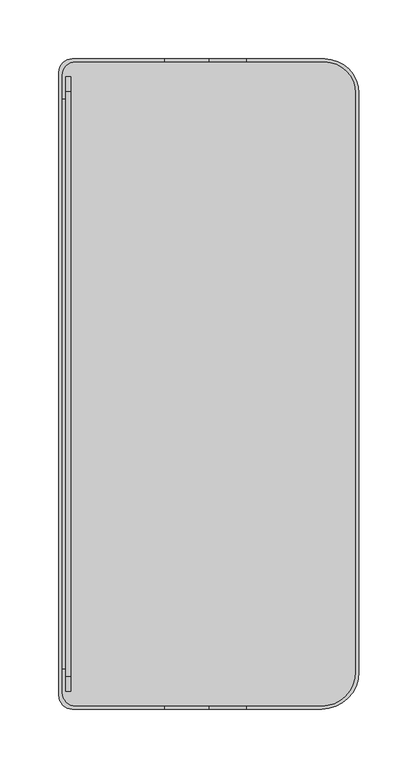
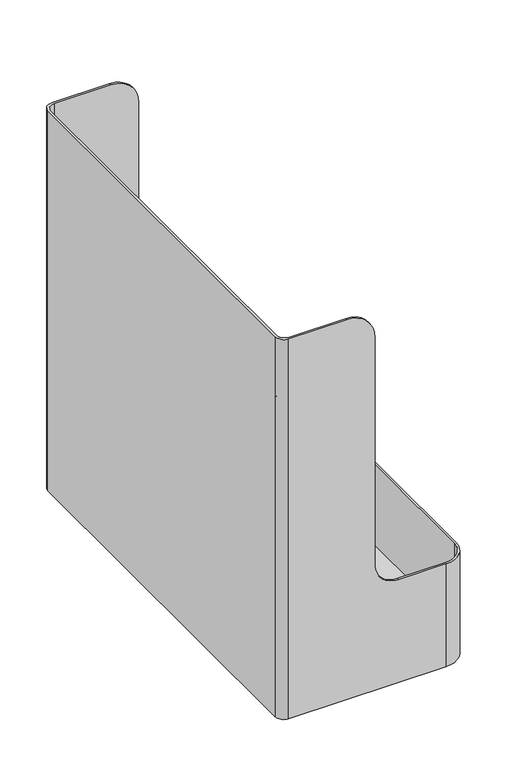
"""IFC4 building model written with IfcOpenShell, lengths in millimetres: furniture geometry."""

from ifc_helpers import new_model, si_unit, point, frame, frame_2d, origin, place, context, project, spatial, polyline, circle_curve, trimmed, segment, composite_curve, outline, extrude, source, transform, mapped, element, save
from ifc_brep_helpers import plane_surface, cylinder_surface, revolved_surface, advanced_brep


def furniture_b01ec330(model_context):
    return source(origin(), model_context, "Body", "SolidModel", [
        extrude(outline(composite_curve([segment(trimmed(circle_curve(frame_2d((-533.2828806, 14.986)), 14.986), [point((-548.2688806, 14.986))], [point((-518.2968806, 14.986))], False, "CARTESIAN"), True, "CONTINUOUS"), segment(trimmed(circle_curve(frame_2d((-533.2828806, 14.986)), 14.986), [point((-518.2968806, 14.986))], [point((-548.2688806, 14.986))], False, "CARTESIAN"), True, "CONTINUOUS")], self_intersect=False)), frame((17.78, 0.0, 0.0), z_axis=(1.0, 0.0, 0.0), x_axis=(0.0, 1.0, 0.0)), (0.0, 0.0, 1.0), 15.24),
        extrude(outline(composite_curve([segment(trimmed(circle_curve(frame_2d((-19.1671194, 14.986)), 14.986), [point((-34.1531194, 14.986))], [point((-4.1811194, 14.986))], False, "CARTESIAN"), True, "CONTINUOUS"), segment(trimmed(circle_curve(frame_2d((-19.1671194, 14.986)), 14.986), [point((-4.1811194, 14.986))], [point((-34.1531194, 14.986))], False, "CARTESIAN"), True, "CONTINUOUS")], self_intersect=False)), frame((17.78, 0.0, 0.0), z_axis=(1.0, 0.0, 0.0), x_axis=(0.0, 1.0, 0.0)), (0.0, 0.0, 1.0), 15.24),
        extrude(outline(composite_curve([segment(trimmed(circle_curve(frame_2d((-533.2828806, 14.986)), 14.986), [point((-548.2688806, 14.986))], [point((-518.2968806, 14.986))], False, "CARTESIAN"), True, "CONTINUOUS"), segment(trimmed(circle_curve(frame_2d((-533.2828806, 14.986)), 14.986), [point((-518.2968806, 14.986))], [point((-548.2688806, 14.986))], False, "CARTESIAN"), True, "CONTINUOUS")], self_intersect=False)), frame((221.9452, 0.0, 0.0), z_axis=(1.0, 0.0, 0.0), x_axis=(0.0, 1.0, 0.0)), (0.0, 0.0, 1.0), 15.24),
        extrude(outline(composite_curve([segment(trimmed(circle_curve(frame_2d((-19.1671194, 14.986)), 14.986), [point((-34.1531194, 14.986))], [point((-4.1811194, 14.986))], False, "CARTESIAN"), True, "CONTINUOUS"), segment(trimmed(circle_curve(frame_2d((-19.1671194, 14.986)), 14.986), [point((-4.1811194, 14.986))], [point((-34.1531194, 14.986))], False, "CARTESIAN"), True, "CONTINUOUS")], self_intersect=False)), frame((221.9452, 0.0, 0.0), z_axis=(1.0, 0.0, 0.0), x_axis=(0.0, 1.0, 0.0)), (0.0, 0.0, 1.0), 15.24),
        extrude(outline(composite_curve([segment(trimmed(circle_curve(frame_2d((-19.1671194, 14.986)), 3.175), [point((-19.1671194, 11.811))], [point((-19.1671194, 18.161))], False, "CARTESIAN"), True, "CONTINUOUS"), segment(trimmed(circle_curve(frame_2d((-19.1671194, 14.986)), 3.175), [point((-19.1671194, 18.161))], [point((-19.1671194, 11.811))], False, "CARTESIAN"), True, "CONTINUOUS")], self_intersect=False)), frame((6.9505902, 0.0, 0.0), z_axis=(1.0, 0.0, 0.0), x_axis=(0.0, 1.0, 0.0)), (0.0, 0.0, 1.0), 240.2765191),
        extrude(outline(composite_curve([segment(trimmed(circle_curve(frame_2d((-533.2828806, 14.986)), 3.175), [point((-533.2828806, 11.811))], [point((-533.2828806, 18.161))], False, "CARTESIAN"), True, "CONTINUOUS"), segment(trimmed(circle_curve(frame_2d((-533.2828806, 14.986)), 3.175), [point((-533.2828806, 18.161))], [point((-533.2828806, 11.811))], False, "CARTESIAN"), True, "CONTINUOUS")], self_intersect=False)), frame((6.9505902, 0.0, 0.0), z_axis=(1.0, 0.0, 0.0), x_axis=(0.0, 1.0, 0.0)), (0.0, 0.0, 1.0), 240.2765191),
        extrude(outline(composite_curve([segment(trimmed(circle_curve(frame_2d((-27.94, 462.026)), 12.7), [point((-27.94, 474.726))], [point((-27.94, 449.326))], False, "CARTESIAN"), True, "CONTINUOUS"), segment(polyline([(-27.94, 449.326), (-524.51, 449.326)]), True, "CONTINUOUS"), segment(trimmed(circle_curve(frame_2d((-524.51, 462.026)), 12.7), [point((-524.51, 449.326))], [point((-524.51, 474.726))], False, "CARTESIAN"), True, "CONTINUOUS"), segment(polyline([(-524.51, 474.726), (-27.94, 474.726)]), True, "CONTINUOUS")], self_intersect=False)), frame((6.0707087, 0.0, 0.0), z_axis=(1.0, 0.0, 0.0), x_axis=(0.0, 1.0, 0.0)), (0.0, 0.0, 1.0), 4.0468952),
        extrude(outline(polyline([(6.0707087, -518.16), (2.54, -518.16), (2.54, -34.29), (6.0707087, -34.29), (6.0707087, -518.16)])), frame((0.0, 0.0, 457.5990397), z_axis=(0.0, 0.0, 1.0), x_axis=(1.0, 0.0, 0.0)), (0.0, 0.0, 1.0), 8.0699449),
        advanced_brep(
        [(11.5824, 0.0, 544.576), (0.0, -11.5824, 544.576), (0.0, -540.8676, 544.576), (11.5824, -552.45, 544.576), (89.3826, -552.45, 544.576), (89.3826, -549.91, 544.576), (14.1224, -549.91, 544.576), (2.54, -538.3276, 544.576), (2.54, -14.1224, 544.576), (14.1224, -2.54, 544.576), (89.3826, -2.54, 544.576), (89.3826, 0.0, 544.576), (225.7552, 0.0, 4.826), (254.9652, -29.21, 4.826), (254.9652, -520.7, 4.826), (223.2152, -552.45, 4.826), (11.5824, -552.45, 4.826), (0.0, -540.8676, 4.826), (0.0, -11.5824, 4.826), (11.5824, 0.0, 4.826), (14.1224, -2.54, 4.826), (2.54, -14.1224, 4.826), (2.54, -538.3276, 4.826), (14.1224, -549.91, 4.826), (223.2152, -549.91, 4.826), (252.4252, -520.7, 4.826), (252.4252, -29.21, 4.826), (225.7552, -2.54, 4.826), (127.4826, 0.0, 506.476), (127.4826, 0.0, 182.626), (159.2326, 0.0, 150.876), (225.7552, 0.0, 150.876), (223.2152, -552.45, 150.876), (159.2326, -552.45, 150.876), (127.4826, -552.45, 182.626), (127.4826, -552.45, 506.476), (254.9652, -29.21, 150.876), (254.9652, -520.7, 150.876), (225.7552, -2.54, 35.306), (14.1224, -2.54, 35.306), (2.54, -14.1224, 35.306), (2.54, -538.3276, 35.306), (14.1224, -549.91, 35.306), (223.2152, -549.91, 35.306), (252.4252, -520.7, 35.306), (252.4252, -29.21, 35.306), (225.7552, -2.54, 150.876), (159.2326, -2.54, 150.876), (127.4826, -2.54, 182.626), (127.4826, -2.54, 506.476), (127.4826, -549.91, 506.476), (127.4826, -549.91, 182.626), (159.2326, -549.91, 150.876), (223.2152, -549.91, 150.876), (252.4252, -520.7, 150.876), (252.4252, -29.21, 150.876), (14.1224, -2.54, 32.766), (225.7552, -2.54, 32.766), (252.4252, -29.21, 32.766), (252.4252, -520.7, 32.766), (223.2152, -549.91, 32.766), (14.1224, -549.91, 32.766), (2.54, -538.3276, 32.766), (2.54, -14.1224, 32.766)],
        [
            (0, 1, circle_curve(frame((11.5824, -11.5824, 544.576), z_axis=(0.0, 0.0, 1.0), x_axis=(1.0, 0.0, 0.0)), 11.5824)),
            (1, 2),
            (2, 3, circle_curve(frame((11.5824, -540.8676, 544.576), z_axis=(0.0, 0.0, 1.0), x_axis=(1.0, 0.0, 0.0)), 11.5824)),
            (3, 4),
            (4, 5),
            (5, 6),
            (6, 7, circle_curve(frame((14.1224, -538.3276, 544.576), z_axis=(0.0, 0.0, -1.0), x_axis=(1.0, 0.0, 0.0)), 11.5824)),
            (7, 8),
            (8, 9, circle_curve(frame((14.1224, -14.1224, 544.576), z_axis=(0.0, 0.0, -1.0), x_axis=(1.0, 0.0, 0.0)), 11.5824)),
            (9, 10),
            (10, 11),
            (11, 0),
            (12, 13, circle_curve(frame((225.7552, -29.21, 4.826), z_axis=(0.0, 0.0, -1.0), x_axis=(1.0, 0.0, 0.0)), 29.21)),
            (13, 14),
            (14, 15, circle_curve(frame((223.2152, -520.7, 4.826), z_axis=(0.0, 0.0, -1.0), x_axis=(1.0, 0.0, 0.0)), 31.75)),
            (15, 16),
            (16, 17, circle_curve(frame((11.5824, -540.8676, 4.826), z_axis=(0.0, 0.0, -1.0), x_axis=(1.0, 0.0, 0.0)), 11.5824)),
            (17, 18),
            (18, 19, circle_curve(frame((11.5824, -11.5824, 4.826), z_axis=(0.0, 0.0, -1.0), x_axis=(1.0, 0.0, 0.0)), 11.5824)),
            (19, 12),
            (20, 21, circle_curve(frame((14.1224, -14.1224, 4.826), z_axis=(0.0, 0.0, 1.0), x_axis=(1.0, 0.0, 0.0)), 11.5824)),
            (21, 22),
            (22, 23, circle_curve(frame((14.1224, -538.3276, 4.826), z_axis=(0.0, 0.0, 1.0), x_axis=(1.0, 0.0, 0.0)), 11.5824)),
            (23, 24),
            (24, 25, circle_curve(frame((223.2152, -520.7, 4.826), z_axis=(0.0, 0.0, 1.0), x_axis=(1.0, 0.0, 0.0)), 29.21)),
            (25, 26),
            (26, 27, circle_curve(frame((225.7552, -29.21, 4.826), z_axis=(0.0, 0.0, 1.0), x_axis=(1.0, 0.0, 0.0)), 26.67)),
            (27, 20),
            (19, 0),
            (11, 28, circle_curve(frame((89.3826, 0.0, 506.476), z_axis=(0.0, 1.0, 0.0), x_axis=(1.0, 0.0, 0.0)), 38.1)),
            (28, 29),
            (29, 30, circle_curve(frame((159.2326, 0.0, 182.626), z_axis=(0.0, -1.0, 0.0), x_axis=(1.0, 0.0, 0.0)), 31.75)),
            (30, 31),
            (31, 12),
            (1, 18),
            (17, 2),
            (15, 32),
            (32, 33),
            (33, 34, circle_curve(frame((159.2326, -552.45, 182.626), z_axis=(0.0, 1.0, 0.0), x_axis=(1.0, 0.0, 0.0)), 31.75)),
            (34, 35),
            (35, 4, circle_curve(frame((89.3826, -552.45, 506.476), z_axis=(0.0, -1.0, 0.0), x_axis=(1.0, 0.0, 0.0)), 38.1)),
            (3, 16),
            (13, 36),
            (36, 37),
            (37, 14),
            (38, 39),
            (39, 40, circle_curve(frame((14.1224, -14.1224, 35.306), z_axis=(0.0, 0.0, 1.0), x_axis=(1.0, 0.0, 0.0)), 11.5824)),
            (40, 41),
            (41, 42, circle_curve(frame((14.1224, -538.3276, 35.306), z_axis=(0.0, 0.0, 1.0), x_axis=(1.0, 0.0, 0.0)), 11.5824)),
            (42, 43),
            (43, 44, circle_curve(frame((223.2152, -520.7, 35.306), z_axis=(0.0, 0.0, 1.0), x_axis=(1.0, 0.0, 0.0)), 29.21)),
            (44, 45),
            (45, 38, circle_curve(frame((225.7552, -29.21, 35.306), z_axis=(0.0, 0.0, 1.0), x_axis=(1.0, 0.0, 0.0)), 26.67)),
            (38, 46),
            (46, 47),
            (47, 48, circle_curve(frame((159.2326, -2.54, 182.626), z_axis=(0.0, 1.0, 0.0), x_axis=(1.0, 0.0, 0.0)), 31.75)),
            (48, 49),
            (49, 10, circle_curve(frame((89.3826, -2.54, 506.476), z_axis=(0.0, -1.0, 0.0), x_axis=(1.0, 0.0, 0.0)), 38.1)),
            (9, 39),
            (40, 8),
            (7, 41),
            (42, 6),
            (5, 50, circle_curve(frame((89.3826, -549.91, 506.476), z_axis=(0.0, 1.0, 0.0), x_axis=(1.0, 0.0, 0.0)), 38.1)),
            (50, 51),
            (51, 52, circle_curve(frame((159.2326, -549.91, 182.626), z_axis=(0.0, -1.0, 0.0), x_axis=(1.0, 0.0, 0.0)), 31.75)),
            (52, 53),
            (53, 43),
            (44, 54),
            (54, 55),
            (55, 45),
            (29, 48),
            (47, 30),
            (51, 34),
            (33, 52),
            (46, 55, circle_curve(frame((225.7552, -29.21, 150.876), z_axis=(0.0, 0.0, -1.0), x_axis=(1.0, 0.0, 0.0)), 26.67)),
            (54, 53, circle_curve(frame((223.2152, -520.7, 150.876), z_axis=(0.0, 0.0, -1.0), x_axis=(1.0, 0.0, 0.0)), 29.21)),
            (32, 37, circle_curve(frame((223.2152, -520.7, 150.876), z_axis=(0.0, 0.0, 1.0), x_axis=(1.0, 0.0, 0.0)), 31.75)),
            (36, 31, circle_curve(frame((225.7552, -29.21, 150.876), z_axis=(0.0, 0.0, 1.0), x_axis=(1.0, 0.0, 0.0)), 29.21)),
            (49, 28),
            (35, 50),
            (56, 57),
            (57, 58, circle_curve(frame((225.7552, -29.21, 32.766), z_axis=(0.0, 0.0, -1.0), x_axis=(1.0, 0.0, 0.0)), 26.67)),
            (58, 59),
            (59, 60, circle_curve(frame((223.2152, -520.7, 32.766), z_axis=(0.0, 0.0, -1.0), x_axis=(1.0, 0.0, 0.0)), 29.21)),
            (60, 61),
            (61, 62, circle_curve(frame((14.1224, -538.3276, 32.766), z_axis=(0.0, 0.0, -1.0), x_axis=(1.0, 0.0, 0.0)), 11.5824)),
            (62, 63),
            (63, 56, circle_curve(frame((14.1224, -14.1224, 32.766), z_axis=(0.0, 0.0, -1.0), x_axis=(1.0, 0.0, 0.0)), 11.5824)),
            (63, 21),
            (20, 56),
            (62, 22),
            (61, 23),
            (60, 24),
            (59, 25),
            (58, 26),
            (57, 27),
        ],
        [
            plane_surface(frame((11.5824, 0.0, 544.576), z_axis=(0.0, 0.0, 1.0), x_axis=(-1.0, 0.0, 0.0))),
            plane_surface(frame((11.5824, 0.0, 4.826), z_axis=(0.0, 0.0, -1.0), x_axis=(1.0, 0.0, 0.0))),
            plane_surface(frame((225.7552, 0.0, 544.576), z_axis=(0.0, 1.0, 0.0), x_axis=(0.0, 0.0, -1.0))),
            plane_surface(frame((0.0, -11.5824, 544.576), z_axis=(-1.0, 0.0, 0.0), x_axis=(0.0, 0.0, -1.0))),
            plane_surface(frame((11.5824, -552.45, 544.576), z_axis=(0.0, -1.0, 0.0), x_axis=(0.0, 0.0, -1.0))),
            plane_surface(frame((254.9652, -520.7, 544.576), z_axis=(1.0, 0.0, 0.0), x_axis=(0.0, 0.0, -1.0))),
            plane_surface(frame((14.1224, -2.54, 35.306), z_axis=(0.0, 0.0, 1.0), x_axis=(1.0, 0.0, 0.0))),
            plane_surface(frame((225.7552, -2.54, 544.576), z_axis=(0.0, -1.0, 0.0), x_axis=(0.0, 0.0, -1.0))),
            plane_surface(frame((2.54, -14.1224, 544.576), z_axis=(1.0, 0.0, 0.0), x_axis=(0.0, 0.0, -1.0))),
            plane_surface(frame((14.1224, -549.91, 544.576), z_axis=(0.0, 1.0, 0.0), x_axis=(0.0, 0.0, -1.0))),
            plane_surface(frame((252.4252, -520.7, 544.576), z_axis=(-1.0, 0.0, 0.0), x_axis=(0.0, 0.0, -1.0))),
            revolved_surface(polyline([(190.9826, -2.54, 182.626), (190.9826, 0.0, 182.626)]), (159.2326, 0.0, 182.626), (0.0, -1.0, 0.0)),
            revolved_surface(polyline([(190.9826, -552.45, 182.626), (190.9826, -549.91, 182.626)]), (159.2326, 0.0, 182.626), (0.0, -1.0, 0.0)),
            plane_surface(frame((159.2326, -552.45, 150.876), z_axis=(0.0, 0.0, 1.0), x_axis=(0.0, 1.0, 0.0))),
            cylinder_surface(frame((89.3826, 0.0, 506.476), z_axis=(0.0, 1.0, 0.0), x_axis=(1.0, 0.0, 0.0)), 38.1),
            plane_surface(frame((127.4826, -552.45, 506.476), z_axis=(1.0, 0.0, 0.0), x_axis=(0.0, 1.0, 0.0))),
            cylinder_surface(frame((223.2152, -520.7, 4.826), z_axis=(0.0, 0.0, 1.0), x_axis=(1.0, 0.0, 0.0)), 31.75),
            cylinder_surface(frame((225.7552, -29.21, 4.826), z_axis=(0.0, 0.0, 1.0), x_axis=(1.0, 0.0, 0.0)), 29.21),
            revolved_surface(polyline([(252.42520000000002, -520.7, 150.876), (252.42520000000002, -520.7, 35.306)]), (223.2152, -520.7, 35.306), (0.0, 0.0, 1.0)),
            revolved_surface(polyline([(252.42520000000002, -29.21, 150.876), (252.42520000000002, -29.21, 35.306)]), (225.7552, -29.21, 35.306), (0.0, 0.0, 1.0)),
            cylinder_surface(frame((11.5824, -11.5824, 4.826), z_axis=(0.0, 0.0, 1.0), x_axis=(1.0, 0.0, 0.0)), 11.5824),
            cylinder_surface(frame((11.5824, -540.8676, 4.826), z_axis=(0.0, 0.0, 1.0), x_axis=(1.0, 0.0, 0.0)), 11.5824),
            revolved_surface(polyline([(25.7048, -14.1224, 544.576), (25.7048, -14.1224, 35.306)]), (14.1224, -14.1224, 35.306), (0.0, 0.0, 1.0)),
            revolved_surface(polyline([(25.7048, -538.3276, 544.576), (25.7048, -538.3276, 35.306)]), (14.1224, -538.3276, 35.306), (0.0, 0.0, 1.0)),
            plane_surface(frame((25.7048, -14.1224, 32.766), z_axis=(0.0, 0.0, -1.0), x_axis=(0.0, 1.0, 0.0))),
            revolved_surface(polyline([(25.7048, -14.1224, 32.766), (25.7048, -14.1224, 4.826)]), (14.1224, -14.1224, 4.826), (0.0, 0.0, 1.0)),
            plane_surface(frame((2.54, -14.1224, 32.766), z_axis=(1.0, 0.0, 0.0), x_axis=(0.0, 0.0, -1.0))),
            revolved_surface(polyline([(25.7048, -538.3276, 32.766), (25.7048, -538.3276, 4.826)]), (14.1224, -538.3276, 4.826), (0.0, 0.0, 1.0)),
            plane_surface(frame((14.1224, -549.91, 32.766), z_axis=(0.0, 1.0, 0.0), x_axis=(0.0, 0.0, -1.0))),
            revolved_surface(polyline([(252.42520000000002, -520.7, 32.766), (252.42520000000002, -520.7, 4.826)]), (223.2152, -520.7, 4.826), (0.0, 0.0, 1.0)),
            plane_surface(frame((252.4252, -520.7, 32.766), z_axis=(-1.0, 0.0, 0.0), x_axis=(0.0, 0.0, -1.0))),
            revolved_surface(polyline([(252.42520000000002, -29.21, 32.766), (252.42520000000002, -29.21, 4.826)]), (225.7552, -29.21, 4.826), (0.0, 0.0, 1.0)),
            plane_surface(frame((225.7552, -2.54, 32.766), z_axis=(0.0, -1.0, 0.0), x_axis=(0.0, 0.0, -1.0))),
        ],
        [
            (0, [[1, 2, 3, 4, 5, 6, 7, 8, 9, 10, 11, 12]]),
            (1, [[13, 14, 15, 16, 17, 18, 19, 20], [21, 22, 23, 24, 25, 26, 27, 28]]),
            (2, [[-20, 29, -12, 30, 31, 32, 33, 34]]),
            (3, [[-2, 35, -18, 36]]),
            (4, [[-16, 37, 38, 39, 40, 41, -4, 42]]),
            (5, [[-14, 43, 44, 45]]),
            (6, [[46, 47, 48, 49, 50, 51, 52, 53]]),
            (7, [[-46, 54, 55, 56, 57, 58, -10, 59]]),
            (8, [[-48, 60, -8, 61]]),
            (9, [[-50, 62, -6, 63, 64, 65, 66, 67]]),
            (10, [[-52, 68, 69, 70]]),
            (11, [[71, -56, 72, -32]]),
            (12, [[73, -39, 74, -65]]),
            (13, [[-72, -55, 75, -69, 76, -66, -74, -38, 77, -44, 78, -33]]),
            (14, [[79, -30, -11, -58]]),
            (14, [[80, -63, -5, -41]]),
            (15, [[-71, -31, -79, -57]]),
            (15, [[-73, -64, -80, -40]]),
            (16, [[-15, -45, -77, -37]]),
            (17, [[-13, -34, -78, -43]]),
            (18, [[-51, -67, -76, -68]]),
            (19, [[-53, -70, -75, -54]]),
            (20, [[-1, -29, -19, -35]]),
            (21, [[-3, -36, -17, -42]]),
            (22, [[-47, -59, -9, -60]]),
            (23, [[-49, -61, -7, -62]]),
            (24, [[81, 82, 83, 84, 85, 86, 87, 88]]),
            (25, [[-88, 89, -21, 90]]),
            (26, [[-87, 91, -22, -89]]),
            (27, [[-86, 92, -23, -91]]),
            (28, [[-85, 93, -24, -92]]),
            (29, [[-84, 94, -25, -93]]),
            (30, [[-83, 95, -26, -94]]),
            (31, [[-82, 96, -27, -95]]),
            (32, [[-81, -90, -28, -96]]),
        ],
    ),
    ])


if __name__ == "__main__":
    model = new_model("IFC4")
    model_context = context("Model", 3, world=origin())
    ifc_project = project(units=[si_unit("LENGTHUNIT", "METRE", prefix="MILLI")], contexts=[model_context])
    site = spatial("IfcSite", under=ifc_project)
    building = spatial("IfcBuilding", under=site)
    placement = place(None, origin())
    furniture_shape = furniture_b01ec330(model_context)
    element("IfcFurniture", 1, at=placement, inside=building, context=model_context, shape_type="MappedRepresentation", body=[
        mapped(furniture_shape, transform((0.0, 0.0, 0.0), x_axis=(1.0, 0.0, 0.0), y_axis=(0.0, 1.0, 0.0), z_axis=(0.0, 0.0, 1.0))),
    ])
    save(model, "model.ifc")
